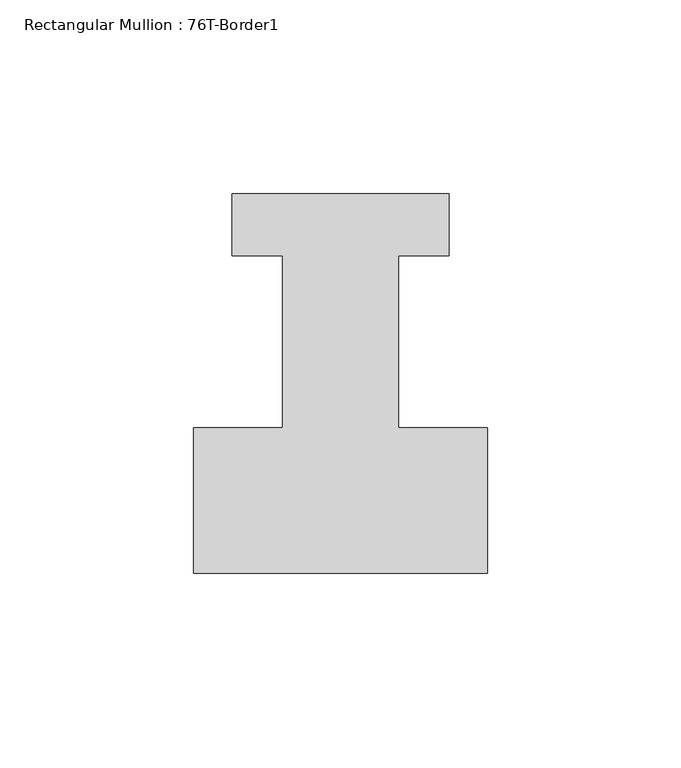
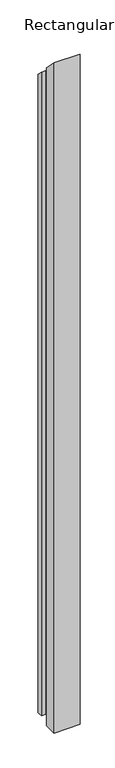
"""IFC4 building model written with IfcOpenShell, lengths in millimetres: member geometry, Rectangular Mullion : 76T-Border1."""

from ifc_helpers import new_model, si_unit, origin, place, context, project, spatial, faceted_brep, source, transform, mapped, element, save


def rectangular_mullion_76t_border1_15cc8f68(model_context):
    return source(origin(), model_context, "Body", "Brep", [
        faceted_brep([(-76.0, -38.0, -2024.0), (-76.0, -0.5, -2024.0), (-53.0, -0.5, -2024.0), (-53.0, 44.0, -2024.0), (-66.0, 44.0, -2024.0), (-66.0, 60.0, -2024.0), (-10.0, 60.0, -2024.0), (-10.0, 44.0, -2024.0), (-23.0, 44.0, -2024.0), (-23.0, -0.5, -2024.0), (0.0, -0.5, -2024.0), (0.0, -38.0, -2024.0), (0.0, -38.0, 38.0), (-76.0, -38.0, 38.0), (0.0, -0.5, 0.5), (-23.0, -0.5, 0.5), (-23.0, 44.0, -44.0), (-10.0, 44.0, -44.0), (-10.0, 60.0, -60.0), (-66.0, 60.0, -60.0), (-66.0, 44.0, -44.0), (-53.0, 44.0, -44.0), (-53.0, -0.5, 0.5), (-76.0, -0.5, 0.5)], [[[0, 1, 2, 3, 4, 5, 6, 7, 8, 9, 10, 11]], [[12, 13, 0, 11]], [[14, 12, 11, 10]], [[15, 14, 10, 9]], [[16, 15, 9, 8]], [[17, 16, 8, 7]], [[18, 17, 7, 6]], [[19, 18, 6, 5]], [[20, 19, 5, 4]], [[21, 20, 4, 3]], [[22, 21, 3, 2]], [[23, 22, 2, 1]], [[13, 23, 1, 0]], [[13, 12, 14, 15, 16, 17, 18, 19, 20, 21, 22, 23]]]),
    ])


if __name__ == "__main__":
    model = new_model("IFC4")
    model_context = context("Model", 3, world=origin())
    ifc_project = project(units=[si_unit("LENGTHUNIT", "METRE", prefix="MILLI")], contexts=[model_context])
    site = spatial("IfcSite", under=ifc_project)
    building = spatial("IfcBuilding", under=site)
    placement = place(None, origin())
    rectangular_mullion_76t_border1_shape = rectangular_mullion_76t_border1_15cc8f68(model_context)
    element("IfcMember", 1, ObjectType="Rectangular Mullion : 76T-Border1", at=placement, inside=building, context=model_context, shape_type="MappedRepresentation", body=[
        mapped(rectangular_mullion_76t_border1_shape, transform((0.0, 0.0, 0.0), x_axis=(1.0, 0.0, 0.0), y_axis=(0.0, 1.0, 0.0), z_axis=(0.0, 0.0, 1.0))),
    ])
    save(model, "model.ifc")
